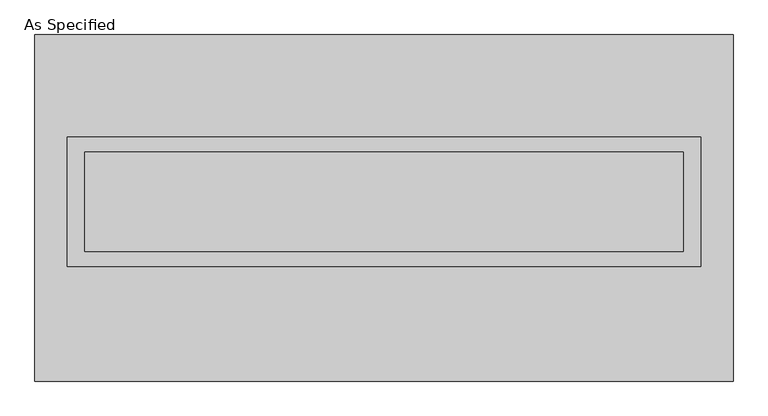
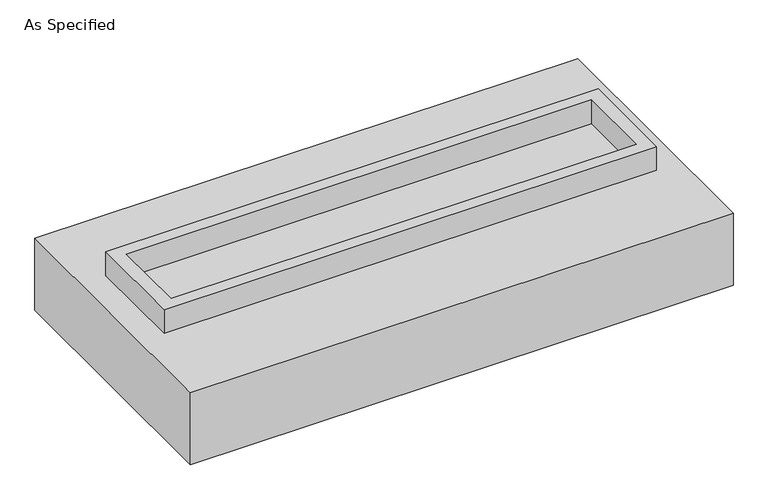
"""IFC4 building model written with IfcOpenShell, lengths in millimetres: proxy geometry, As Specified."""

from ifc_helpers import new_model, si_unit, frame, origin, place, context, project, spatial, polyline, outline, extrude, faceted_brep, source, transform, mapped, element, save


def as_specified_f7a31ce5(model_context):
    return source(origin(), model_context, "Body", "SolidModel", [
        extrude(outline(polyline([(1612.9, 361.95), (1612.9, -298.45), (-1612.9, -298.45), (-1612.9, 361.95), (1612.9, 361.95)]), holes=[polyline([(1524.0, 285.75), (-1524.0, 285.75), (-1524.0, -222.25), (1524.0, -222.25), (1524.0, 285.75)])]), frame((0.0, 0.0, -25.4), z_axis=(0.0, 0.0, 1.0), x_axis=(1.0, 0.0, 0.0)), (0.0, 0.0, 1.0), 165.1),
        extrude(outline(polyline([(1524.0, 285.75), (1524.0, -222.25), (-1524.0, -222.25), (-1524.0, 285.75), (1524.0, 285.75)])), frame((0.0, 0.0, -30.3609375), z_axis=(0.0, 0.0, 1.0), x_axis=(1.0, 0.0, 0.0)), (0.0, 0.0, 1.0), 4.9609375),
        faceted_brep([(1778.0, -882.65, -523.875), (-1778.0, -882.65, -523.875), (-1778.0, 882.65, -523.875), (1778.0, 882.65, -523.875), (1778.0, 882.65, -25.4), (-1778.0, 882.65, -25.4), (-1778.0, -882.65, -25.4), (1778.0, -882.65, -25.4), (1612.9, 361.95, -25.4), (1612.9, -298.45, -25.4), (-1612.9, -298.45, -25.4), (-1612.9, 361.95, -25.4), (1612.9, 361.95, -498.475), (-1612.9, 361.95, -498.475), (-1612.9, -298.45, -498.475), (1612.9, -298.45, -498.475)], [[[0, 1, 2, 3]], [[4, 5, 6, 7], [8, 9, 10, 11]], [[3, 2, 5, 4]], [[2, 1, 6, 5]], [[0, 3, 4, 7]], [[12, 13, 14, 15]], [[14, 13, 11, 10]], [[13, 12, 8, 11]], [[12, 15, 9, 8]], [[10, 9, 15, 14]], [[1, 0, 7, 6]]]),
    ])


if __name__ == "__main__":
    model = new_model("IFC4")
    model_context = context("Model", 3, world=origin())
    ifc_project = project(units=[si_unit("LENGTHUNIT", "METRE", prefix="MILLI")], contexts=[model_context])
    site = spatial("IfcSite", under=ifc_project)
    building = spatial("IfcBuilding", under=site)
    placement = place(None, origin())
    as_specified_shape = as_specified_f7a31ce5(model_context)
    element("IfcBuildingElementProxy", 1, Name="As Specified", ObjectType="As Specified", at=placement, inside=building, context=model_context, shape_type="MappedRepresentation", body=[
        mapped(as_specified_shape, transform((0.0, 0.0, 0.0), x_axis=(1.0, 0.0, 0.0), y_axis=(0.0, 1.0, 0.0), z_axis=(0.0, 0.0, 1.0))),
    ])
    save(model, "model.ifc")
